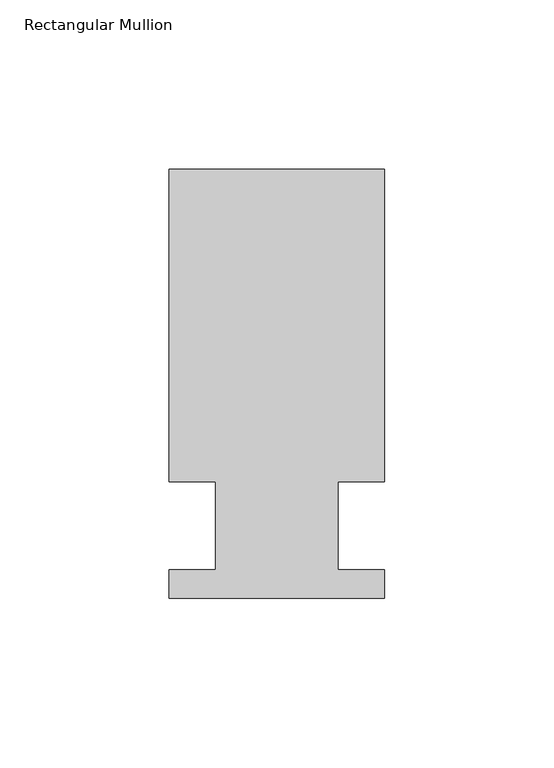
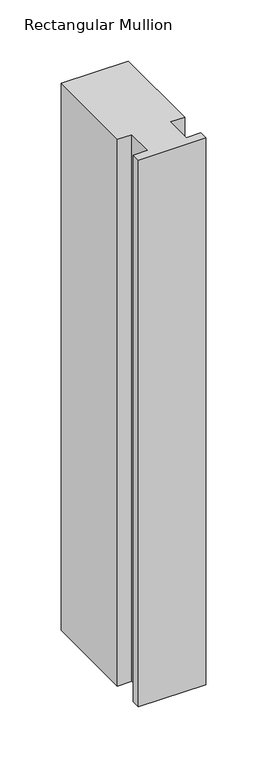
"""IFC4 building model written with IfcOpenShell, lengths in millimetres: member geometry, Rectangular Mullion."""

from ifc_helpers import new_model, si_unit, frame, origin, place, context, project, spatial, polyline, outline, extrude, source, transform, mapped, element, save


def rectangular_mullion_67327099(model_context):
    return source(origin(), model_context, "Body", "SweptSolid", [
        extrude(outline(polyline([(-63.5, 126.4808875), (0.0, 126.4808875), (0.0, 34.3296875), (-13.6398, 34.3296875), (-13.6398, 8.3454875), (0.0, 8.3454875), (0.0, -0.0111125), (-63.5, -0.0111125), (-63.5, 8.3454875), (-49.9070313, 8.3454875), (-49.9070313, 34.3296875), (-63.5, 34.3296875), (-63.5, 126.4808875)])), frame((0.0, 0.0, -546.1), z_axis=(0.0, 0.0, 1.0), x_axis=(1.0, 0.0, 0.0)), (0.0, 0.0, 1.0), 546.1),
    ])


if __name__ == "__main__":
    model = new_model("IFC4")
    model_context = context("Model", 3, world=origin())
    ifc_project = project(units=[si_unit("LENGTHUNIT", "METRE", prefix="MILLI")], contexts=[model_context])
    site = spatial("IfcSite", under=ifc_project)
    building = spatial("IfcBuilding", under=site)
    placement = place(None, origin())
    rectangular_mullion_shape = rectangular_mullion_67327099(model_context)
    element("IfcMember", 1, ObjectType="Rectangular Mullion", at=placement, inside=building, context=model_context, shape_type="MappedRepresentation", body=[
        mapped(rectangular_mullion_shape, transform((0.0, 0.0, 0.0), x_axis=(1.0, 0.0, 0.0), y_axis=(0.0, 1.0, 0.0), z_axis=(0.0, 0.0, 1.0))),
    ])
    save(model, "model.ifc")
